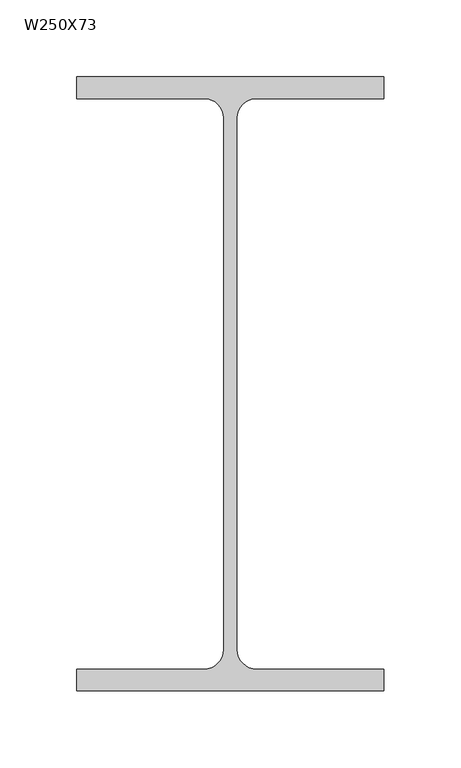
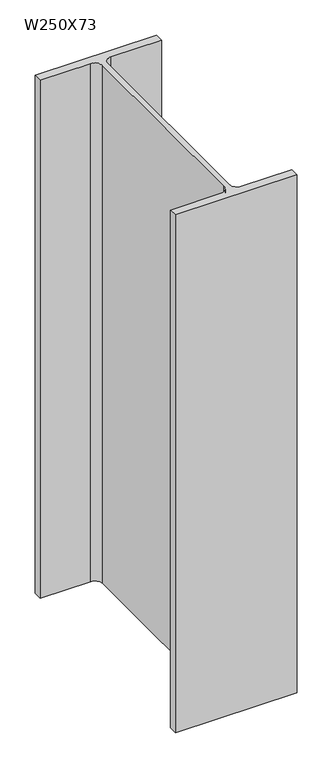
"""IFC4 building model written with IfcOpenShell, lengths in millimetres: column geometry, W250X73."""

from ifc_helpers import new_model, si_unit, point, frame_2d, origin, origin_with_axes, place, context, project, spatial, polyline, circle_curve, trimmed, segment, composite_curve, outline, extrude, source, transform, mapped, element, save


def w250x73_ed17f3cb(model_context):
    return source(origin(), model_context, "Body", "SweptSolid", [
        extrude(outline(composite_curve([segment(polyline([(100.0, 200.0), (100.0, 185.8), (17.02, 185.8)]), True, "CONTINUOUS"), segment(trimmed(circle_curve(frame_2d((17.02, 173.1)), 12.7), [point((17.02, 185.8))], [point((4.32, 173.1))], True, "CARTESIAN"), True, "CONTINUOUS"), segment(polyline([(4.32, 173.1), (4.32, -173.1)]), True, "CONTINUOUS"), segment(trimmed(circle_curve(frame_2d((17.02, -173.1)), 12.7), [point((4.32, -173.1))], [point((17.02, -185.8))], True, "CARTESIAN"), True, "CONTINUOUS"), segment(polyline([(17.02, -185.8), (100.0, -185.8), (100.0, -200.0), (-100.0, -200.0), (-100.0, -185.8), (-17.02, -185.8)]), True, "CONTINUOUS"), segment(trimmed(circle_curve(frame_2d((-17.02, -173.1)), 12.7), [point((-17.02, -185.8))], [point((-4.32, -173.1))], True, "CARTESIAN"), True, "CONTINUOUS"), segment(polyline([(-4.32, -173.1), (-4.32, 173.1)]), True, "CONTINUOUS"), segment(trimmed(circle_curve(frame_2d((-17.02, 173.1)), 12.7), [point((-4.32, 173.1))], [point((-17.02, 185.8))], True, "CARTESIAN"), True, "CONTINUOUS"), segment(polyline([(-17.02, 185.8), (-100.0, 185.8), (-100.0, 200.0), (100.0, 200.0)]), True, "CONTINUOUS")], self_intersect=False)), origin_with_axes(), (0.0, 0.0, 1.0), 900.0),
    ])


if __name__ == "__main__":
    model = new_model("IFC4")
    model_context = context("Model", 3, world=origin())
    ifc_project = project(units=[si_unit("LENGTHUNIT", "METRE", prefix="MILLI")], contexts=[model_context])
    site = spatial("IfcSite", under=ifc_project)
    building = spatial("IfcBuilding", under=site)
    placement = place(None, origin())
    w250x73_shape = w250x73_ed17f3cb(model_context)
    element("IfcColumn", 1, ObjectType="W250X73", at=placement, inside=building, context=model_context, shape_type="MappedRepresentation", body=[
        mapped(w250x73_shape, transform((0.0, 0.0, 0.0), x_axis=(1.0, 0.0, 0.0), y_axis=(0.0, 1.0, 0.0), z_axis=(0.0, 0.0, 1.0))),
    ])
    save(model, "model.ifc")
